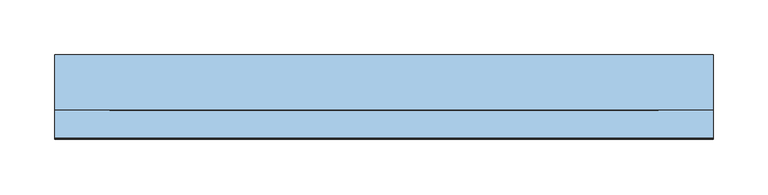
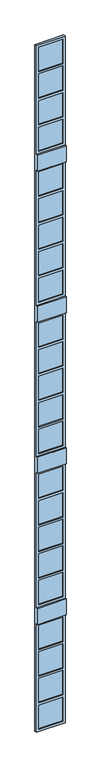
"""IFC4 building model written with IfcOpenShell, lengths in millimetres: window geometry."""

from ifc_helpers import new_model, si_unit, frame, origin, place, context, project, spatial, polyline, outline, extrude, faceted_brep, source, transform, mapped, element, save


def window_69a48910(model_context):
    return source(origin(), model_context, "Body", "SolidModel", [
        extrude(outline(polyline([(-50.0, 130.0), (-50.0, 120.0), (-550.0, 120.0), (-550.0, 130.0), (-50.0, 130.0)])), frame((0.0, 0.0, 13445.0), z_axis=(0.0, 0.0, 1.0), x_axis=(1.0, 0.0, 0.0)), (0.0, 0.0, 1.0), 530.0),
        extrude(outline(polyline([(-50.0, 130.0), (-50.0, 120.0), (-550.0, 120.0), (-550.0, 130.0), (-50.0, 130.0)])), frame((0.0, 0.0, 14025.0), z_axis=(0.0, 0.0, 1.0), x_axis=(1.0, 0.0, 0.0)), (0.0, 0.0, 1.0), 530.0),
        extrude(outline(polyline([(-50.0, 130.0), (-50.0, 120.0), (-550.0, 120.0), (-550.0, 130.0), (-50.0, 130.0)])), frame((0.0, 0.0, 14605.0), z_axis=(0.0, 0.0, 1.0), x_axis=(1.0, 0.0, 0.0)), (0.0, 0.0, 1.0), 530.0),
        extrude(outline(polyline([(-50.0, 130.0), (-50.0, 120.0), (-550.0, 120.0), (-550.0, 130.0), (-50.0, 130.0)])), frame((0.0, 0.0, 15185.0), z_axis=(0.0, 0.0, 1.0), x_axis=(1.0, 0.0, 0.0)), (0.0, 0.0, 1.0), 530.0),
        extrude(outline(polyline([(-50.0, 130.0), (-50.0, 120.0), (-550.0, 120.0), (-550.0, 130.0), (-50.0, 130.0)])), frame((0.0, 0.0, 10145.0), z_axis=(0.0, 0.0, 1.0), x_axis=(1.0, 0.0, 0.0)), (0.0, 0.0, 1.0), 530.0),
        extrude(outline(polyline([(-50.0, 130.0), (-50.0, 120.0), (-550.0, 120.0), (-550.0, 130.0), (-50.0, 130.0)])), frame((0.0, 0.0, 10725.0), z_axis=(0.0, 0.0, 1.0), x_axis=(1.0, 0.0, 0.0)), (0.0, 0.0, 1.0), 530.0),
        extrude(outline(polyline([(-50.0, 130.0), (-50.0, 120.0), (-550.0, 120.0), (-550.0, 130.0), (-50.0, 130.0)])), frame((0.0, 0.0, 11305.0), z_axis=(0.0, 0.0, 1.0), x_axis=(1.0, 0.0, 0.0)), (0.0, 0.0, 1.0), 530.0),
        extrude(outline(polyline([(-50.0, 130.0), (-50.0, 120.0), (-550.0, 120.0), (-550.0, 130.0), (-50.0, 130.0)])), frame((0.0, 0.0, 11885.0), z_axis=(0.0, 0.0, 1.0), x_axis=(1.0, 0.0, 0.0)), (0.0, 0.0, 1.0), 530.0),
        extrude(outline(polyline([(-50.0, 130.0), (-50.0, 120.0), (-550.0, 120.0), (-550.0, 130.0), (-50.0, 130.0)])), frame((0.0, 0.0, 12465.0), z_axis=(0.0, 0.0, 1.0), x_axis=(1.0, 0.0, 0.0)), (0.0, 0.0, 1.0), 530.0),
        extrude(outline(polyline([(-50.0, 130.0), (-50.0, 120.0), (-550.0, 120.0), (-550.0, 130.0), (-50.0, 130.0)])), frame((0.0, 0.0, 6845.0), z_axis=(0.0, 0.0, 1.0), x_axis=(1.0, 0.0, 0.0)), (0.0, 0.0, 1.0), 530.0),
        extrude(outline(polyline([(-50.0, 130.0), (-50.0, 120.0), (-550.0, 120.0), (-550.0, 130.0), (-50.0, 130.0)])), frame((0.0, 0.0, 7425.0), z_axis=(0.0, 0.0, 1.0), x_axis=(1.0, 0.0, 0.0)), (0.0, 0.0, 1.0), 530.0),
        extrude(outline(polyline([(-50.0, 130.0), (-50.0, 120.0), (-550.0, 120.0), (-550.0, 130.0), (-50.0, 130.0)])), frame((0.0, 0.0, 8005.0), z_axis=(0.0, 0.0, 1.0), x_axis=(1.0, 0.0, 0.0)), (0.0, 0.0, 1.0), 530.0),
        extrude(outline(polyline([(-50.0, 130.0), (-50.0, 120.0), (-550.0, 120.0), (-550.0, 130.0), (-50.0, 130.0)])), frame((0.0, 0.0, 8585.0), z_axis=(0.0, 0.0, 1.0), x_axis=(1.0, 0.0, 0.0)), (0.0, 0.0, 1.0), 530.0),
        extrude(outline(polyline([(-50.0, 130.0), (-50.0, 120.0), (-550.0, 120.0), (-550.0, 130.0), (-50.0, 130.0)])), frame((0.0, 0.0, 9165.0), z_axis=(0.0, 0.0, 1.0), x_axis=(1.0, 0.0, 0.0)), (0.0, 0.0, 1.0), 530.0),
        extrude(outline(polyline([(-50.0, 130.0), (-50.0, 120.0), (-550.0, 120.0), (-550.0, 130.0), (-50.0, 130.0)])), frame((0.0, 0.0, 3545.0), z_axis=(0.0, 0.0, 1.0), x_axis=(1.0, 0.0, 0.0)), (0.0, 0.0, 1.0), 530.0),
        extrude(outline(polyline([(-50.0, 130.0), (-50.0, 120.0), (-550.0, 120.0), (-550.0, 130.0), (-50.0, 130.0)])), frame((0.0, 0.0, 4125.0), z_axis=(0.0, 0.0, 1.0), x_axis=(1.0, 0.0, 0.0)), (0.0, 0.0, 1.0), 530.0),
        extrude(outline(polyline([(-50.0, 130.0), (-50.0, 120.0), (-550.0, 120.0), (-550.0, 130.0), (-50.0, 130.0)])), frame((0.0, 0.0, 4705.0), z_axis=(0.0, 0.0, 1.0), x_axis=(1.0, 0.0, 0.0)), (0.0, 0.0, 1.0), 530.0),
        extrude(outline(polyline([(-50.0, 130.0), (-50.0, 120.0), (-550.0, 120.0), (-550.0, 130.0), (-50.0, 130.0)])), frame((0.0, 0.0, 5285.0), z_axis=(0.0, 0.0, 1.0), x_axis=(1.0, 0.0, 0.0)), (0.0, 0.0, 1.0), 530.0),
        extrude(outline(polyline([(-50.0, 130.0), (-50.0, 120.0), (-550.0, 120.0), (-550.0, 130.0), (-50.0, 130.0)])), frame((0.0, 0.0, 5865.0), z_axis=(0.0, 0.0, 1.0), x_axis=(1.0, 0.0, 0.0)), (0.0, 0.0, 1.0), 530.0),
        faceted_brep([(0.0, 100.0, 6445.0), (-600.0, 100.0, 6445.0), (-600.0, 100.0, 3495.0), (0.0, 100.0, 3495.0), (-550.0, 100.0, 4075.0), (-50.0, 100.0, 4075.0), (-50.0, 100.0, 3545.0), (-550.0, 100.0, 3545.0), (-50.0, 100.0, 5865.0), (-550.0, 100.0, 5865.0), (-550.0, 100.0, 6395.0), (-50.0, 100.0, 6395.0), (-550.0, 100.0, 4125.0), (-550.0, 100.0, 4655.0), (-50.0, 100.0, 4655.0), (-50.0, 100.0, 4125.0), (-550.0, 100.0, 4705.0), (-550.0, 100.0, 5235.0), (-50.0, 100.0, 5235.0), (-50.0, 100.0, 4705.0), (-550.0, 100.0, 5285.0), (-550.0, 100.0, 5815.0), (-50.0, 100.0, 5815.0), (-50.0, 100.0, 5285.0), (-50.0, 150.0, 4075.0), (-550.0, 150.0, 4075.0), (-50.0, 150.0, 3545.0), (-550.0, 150.0, 3545.0), (-550.0, 150.0, 5865.0), (-50.0, 150.0, 5865.0), (-550.0, 150.0, 6395.0), (-50.0, 150.0, 6395.0), (-550.0, 150.0, 4655.0), (-550.0, 150.0, 4125.0), (-50.0, 150.0, 4655.0), (-50.0, 150.0, 4125.0), (-550.0, 150.0, 5235.0), (-550.0, 150.0, 4705.0), (-50.0, 150.0, 5235.0), (-50.0, 150.0, 4705.0), (-550.0, 150.0, 5815.0), (-550.0, 150.0, 5285.0), (-50.0, 150.0, 5815.0), (-50.0, 150.0, 5285.0), (0.0, 75.0, 6795.0), (-600.0, 75.0, 6795.0), (-600.0, 75.0, 6445.0), (0.0, 75.0, 6445.0), (0.0, 100.0, 6795.0), (-600.0, 100.0, 6795.0), (0.0, 100.0, 9745.0), (-600.0, 100.0, 9745.0), (-550.0, 100.0, 7375.0), (-50.0, 100.0, 7375.0), (-50.0, 100.0, 6845.0), (-550.0, 100.0, 6845.0), (-50.0, 100.0, 9165.0), (-550.0, 100.0, 9165.0), (-550.0, 100.0, 9695.0), (-50.0, 100.0, 9695.0), (-550.0, 100.0, 7425.0), (-550.0, 100.0, 7955.0), (-50.0, 100.0, 7955.0), (-50.0, 100.0, 7425.0), (-550.0, 100.0, 8005.0), (-550.0, 100.0, 8535.0), (-50.0, 100.0, 8535.0), (-50.0, 100.0, 8005.0), (-550.0, 100.0, 8585.0), (-550.0, 100.0, 9115.0), (-50.0, 100.0, 9115.0), (-50.0, 100.0, 8585.0), (-50.0, 150.0, 7375.0), (-550.0, 150.0, 7375.0), (-50.0, 150.0, 6845.0), (-550.0, 150.0, 6845.0), (-550.0, 150.0, 9165.0), (-50.0, 150.0, 9165.0), (-550.0, 150.0, 9695.0), (-50.0, 150.0, 9695.0), (-550.0, 150.0, 7955.0), (-550.0, 150.0, 7425.0), (-50.0, 150.0, 7955.0), (-50.0, 150.0, 7425.0), (-550.0, 150.0, 8535.0), (-550.0, 150.0, 8005.0), (-50.0, 150.0, 8535.0), (-50.0, 150.0, 8005.0), (-550.0, 150.0, 9115.0), (-550.0, 150.0, 8585.0), (-50.0, 150.0, 9115.0), (-50.0, 150.0, 8585.0), (0.0, 100.0, 13045.0), (-600.0, 100.0, 13045.0), (-600.0, 100.0, 10095.0), (0.0, 100.0, 10095.0), (-550.0, 100.0, 10675.0), (-50.0, 100.0, 10675.0), (-50.0, 100.0, 10145.0), (-550.0, 100.0, 10145.0), (-50.0, 100.0, 12465.0), (-550.0, 100.0, 12465.0), (-550.0, 100.0, 12995.0), (-50.0, 100.0, 12995.0), (-550.0, 100.0, 10725.0), (-550.0, 100.0, 11255.0), (-50.0, 100.0, 11255.0), (-50.0, 100.0, 10725.0), (-550.0, 100.0, 11305.0), (-550.0, 100.0, 11835.0), (-50.0, 100.0, 11835.0), (-50.0, 100.0, 11305.0), (-550.0, 100.0, 11885.0), (-550.0, 100.0, 12415.0), (-50.0, 100.0, 12415.0), (-50.0, 100.0, 11885.0), (-50.0, 150.0, 10675.0), (-550.0, 150.0, 10675.0), (-50.0, 150.0, 10145.0), (-550.0, 150.0, 10145.0), (-550.0, 150.0, 12465.0), (-50.0, 150.0, 12465.0), (-550.0, 150.0, 12995.0), (-50.0, 150.0, 12995.0), (-550.0, 150.0, 11255.0), (-550.0, 150.0, 10725.0), (-50.0, 150.0, 11255.0), (-50.0, 150.0, 10725.0), (-550.0, 150.0, 11835.0), (-550.0, 150.0, 11305.0), (-50.0, 150.0, 11835.0), (-50.0, 150.0, 11305.0), (-550.0, 150.0, 12415.0), (-550.0, 150.0, 11885.0), (-50.0, 150.0, 12415.0), (-50.0, 150.0, 11885.0), (0.0, 150.0, 15765.0), (0.0, 150.0, 775.0), (-600.0, 150.0, 775.0), (-600.0, 150.0, 15765.0), (-550.0, 150.0, 13975.0), (-550.0, 150.0, 13445.0), (-50.0, 150.0, 13445.0), (-50.0, 150.0, 13975.0), (-550.0, 150.0, 14025.0), (-50.0, 150.0, 14025.0), (-50.0, 150.0, 14555.0), (-550.0, 150.0, 14555.0), (-550.0, 150.0, 14605.0), (-50.0, 150.0, 14605.0), (-50.0, 150.0, 15135.0), (-550.0, 150.0, 15135.0), (-550.0, 150.0, 15185.0), (-50.0, 150.0, 15185.0), (-50.0, 150.0, 15715.0), (-550.0, 150.0, 15715.0), (-550.0, 150.0, 1355.0), (-550.0, 150.0, 825.0), (-50.0, 150.0, 825.0), (-50.0, 150.0, 1355.0), (-550.0, 150.0, 2565.0), (-50.0, 150.0, 2565.0), (-50.0, 150.0, 3095.0), (-550.0, 150.0, 3095.0), (-550.0, 150.0, 1405.0), (-50.0, 150.0, 1405.0), (-50.0, 150.0, 1935.0), (-550.0, 150.0, 1935.0), (-550.0, 150.0, 1985.0), (-50.0, 150.0, 1985.0), (-50.0, 150.0, 2515.0), (-550.0, 150.0, 2515.0), (-600.0, 100.0, 15765.0), (-600.0, 100.0, 13395.0), (0.0, 100.0, 13395.0), (0.0, 100.0, 15765.0), (-550.0, 100.0, 13975.0), (-50.0, 100.0, 13975.0), (-50.0, 100.0, 13445.0), (-550.0, 100.0, 13445.0), (-550.0, 100.0, 14025.0), (-550.0, 100.0, 14555.0), (-50.0, 100.0, 14555.0), (-50.0, 100.0, 14025.0), (-550.0, 100.0, 14605.0), (-550.0, 100.0, 15135.0), (-50.0, 100.0, 15135.0), (-50.0, 100.0, 14605.0), (-550.0, 100.0, 15185.0), (-550.0, 100.0, 15715.0), (-50.0, 100.0, 15715.0), (-50.0, 100.0, 15185.0), (-600.0, 100.0, 775.0), (-600.0, 100.0, 3145.0), (-600.0, 75.0, 3145.0), (-600.0, 75.0, 3495.0), (-600.0, 75.0, 9745.0), (-600.0, 75.0, 10095.0), (-600.0, 75.0, 13045.0), (-600.0, 75.0, 13395.0), (0.0, 75.0, 13395.0), (0.0, 75.0, 13045.0), (0.0, 75.0, 10095.0), (0.0, 75.0, 9745.0), (0.0, 75.0, 3495.0), (0.0, 75.0, 3145.0), (0.0, 100.0, 3145.0), (0.0, 100.0, 775.0), (-50.0, 100.0, 825.0), (-50.0, 100.0, 1355.0), (-550.0, 100.0, 825.0), (-550.0, 100.0, 1355.0), (-550.0, 100.0, 1985.0), (-550.0, 100.0, 2515.0), (-50.0, 100.0, 2515.0), (-50.0, 100.0, 1985.0), (-550.0, 100.0, 2565.0), (-550.0, 100.0, 3095.0), (-50.0, 100.0, 3095.0), (-50.0, 100.0, 2565.0), (-550.0, 100.0, 1405.0), (-550.0, 100.0, 1935.0), (-50.0, 100.0, 1935.0), (-50.0, 100.0, 1405.0)], [[[0, 1, 2, 3], [4, 5, 6, 7], [8, 9, 10, 11], [12, 13, 14, 15], [16, 17, 18, 19], [20, 21, 22, 23]], [[24, 5, 4, 25]], [[26, 6, 5, 24]], [[27, 7, 6, 26]], [[25, 4, 7, 27]], [[28, 9, 8, 29]], [[30, 10, 9, 28]], [[31, 11, 10, 30]], [[29, 8, 11, 31]], [[32, 13, 12, 33]], [[34, 14, 13, 32]], [[35, 15, 14, 34]], [[33, 12, 15, 35]], [[36, 17, 16, 37]], [[38, 18, 17, 36]], [[39, 19, 18, 38]], [[37, 16, 19, 39]], [[40, 21, 20, 41]], [[42, 22, 21, 40]], [[43, 23, 22, 42]], [[41, 20, 23, 43]], [[44, 45, 46, 47]], [[44, 48, 49, 45]], [[46, 1, 0, 47]], [[50, 51, 49, 48], [52, 53, 54, 55], [56, 57, 58, 59], [60, 61, 62, 63], [64, 65, 66, 67], [68, 69, 70, 71]], [[72, 53, 52, 73]], [[74, 54, 53, 72]], [[75, 55, 54, 74]], [[73, 52, 55, 75]], [[76, 57, 56, 77]], [[78, 58, 57, 76]], [[79, 59, 58, 78]], [[77, 56, 59, 79]], [[80, 61, 60, 81]], [[82, 62, 61, 80]], [[83, 63, 62, 82]], [[81, 60, 63, 83]], [[84, 65, 64, 85]], [[86, 66, 65, 84]], [[87, 67, 66, 86]], [[85, 64, 67, 87]], [[88, 69, 68, 89]], [[90, 70, 69, 88]], [[91, 71, 70, 90]], [[89, 68, 71, 91]], [[92, 93, 94, 95], [96, 97, 98, 99], [100, 101, 102, 103], [104, 105, 106, 107], [108, 109, 110, 111], [112, 113, 114, 115]], [[116, 97, 96, 117]], [[118, 98, 97, 116]], [[119, 99, 98, 118]], [[117, 96, 99, 119]], [[120, 101, 100, 121]], [[122, 102, 101, 120]], [[123, 103, 102, 122]], [[121, 100, 103, 123]], [[124, 105, 104, 125]], [[126, 106, 105, 124]], [[127, 107, 106, 126]], [[125, 104, 107, 127]], [[128, 109, 108, 129]], [[130, 110, 109, 128]], [[131, 111, 110, 130]], [[129, 108, 111, 131]], [[132, 113, 112, 133]], [[134, 114, 113, 132]], [[135, 115, 114, 134]], [[133, 112, 115, 135]], [[136, 137, 138, 139], [25, 27, 26, 24], [29, 31, 30, 28], [33, 35, 34, 32], [37, 39, 38, 36], [41, 43, 42, 40], [73, 75, 74, 72], [77, 79, 78, 76], [81, 83, 82, 80], [85, 87, 86, 84], [89, 91, 90, 88], [117, 119, 118, 116], [121, 123, 122, 120], [125, 127, 126, 124], [129, 131, 130, 128], [133, 135, 134, 132], [140, 141, 142, 143], [144, 145, 146, 147], [148, 149, 150, 151], [152, 153, 154, 155], [156, 157, 158, 159], [160, 161, 162, 163], [164, 165, 166, 167], [168, 169, 170, 171]], [[172, 173, 174, 175], [176, 177, 178, 179], [180, 181, 182, 183], [184, 185, 186, 187], [188, 189, 190, 191]], [[172, 139, 138, 192, 193, 194, 195, 2, 1, 46, 45, 49, 51, 196, 197, 94, 93, 198, 199, 173]], [[174, 200, 201, 92, 95, 202, 203, 50, 48, 44, 47, 0, 3, 204, 205, 206, 207, 137, 136, 175]], [[143, 177, 176, 140]], [[142, 178, 177, 143]], [[141, 179, 178, 142]], [[140, 176, 179, 141]], [[139, 172, 175, 136]], [[147, 181, 180, 144]], [[146, 182, 181, 147]], [[145, 183, 182, 146]], [[144, 180, 183, 145]], [[151, 185, 184, 148]], [[150, 186, 185, 151]], [[149, 187, 186, 150]], [[148, 184, 187, 149]], [[155, 189, 188, 152]], [[154, 190, 189, 155]], [[153, 191, 190, 154]], [[152, 188, 191, 153]], [[137, 207, 192, 138]], [[158, 208, 209, 159]], [[157, 210, 208, 158]], [[156, 211, 210, 157]], [[206, 193, 192, 207], [212, 213, 214, 215], [216, 217, 218, 219], [211, 209, 208, 210], [220, 221, 222, 223]], [[171, 213, 212, 168]], [[170, 214, 213, 171]], [[169, 215, 214, 170]], [[163, 217, 216, 160]], [[162, 218, 217, 163]], [[161, 219, 218, 162]], [[160, 216, 219, 161]], [[159, 209, 211, 156]], [[167, 221, 220, 164]], [[166, 222, 221, 167]], [[165, 223, 222, 166]], [[164, 220, 223, 165]], [[168, 212, 215, 169]], [[202, 197, 196, 203]], [[202, 95, 94, 197]], [[196, 51, 50, 203]], [[200, 199, 198, 201]], [[200, 174, 173, 199]], [[198, 93, 92, 201]], [[204, 195, 194, 205]], [[204, 3, 2, 195]], [[194, 193, 206, 205]]]),
        extrude(outline(polyline([(-50.0, 130.0), (-50.0, 120.0), (-550.0, 120.0), (-550.0, 130.0), (-50.0, 130.0)])), frame((0.0, 0.0, 825.0), z_axis=(0.0, 0.0, 1.0), x_axis=(1.0, 0.0, 0.0)), (0.0, 0.0, 1.0), 530.0),
        extrude(outline(polyline([(-50.0, 130.0), (-50.0, 120.0), (-550.0, 120.0), (-550.0, 130.0), (-50.0, 130.0)])), frame((0.0, 0.0, 2565.0), z_axis=(0.0, 0.0, 1.0), x_axis=(1.0, 0.0, 0.0)), (0.0, 0.0, 1.0), 530.0),
        extrude(outline(polyline([(-50.0, 130.0), (-50.0, 120.0), (-550.0, 120.0), (-550.0, 130.0), (-50.0, 130.0)])), frame((0.0, 0.0, 1405.0), z_axis=(0.0, 0.0, 1.0), x_axis=(1.0, 0.0, 0.0)), (0.0, 0.0, 1.0), 530.0),
        extrude(outline(polyline([(-50.0, 130.0), (-50.0, 120.0), (-550.0, 120.0), (-550.0, 130.0), (-50.0, 130.0)])), frame((0.0, 0.0, 1985.0), z_axis=(0.0, 0.0, 1.0), x_axis=(1.0, 0.0, 0.0)), (0.0, 0.0, 1.0), 530.0),
    ])


if __name__ == "__main__":
    model = new_model("IFC4")
    model_context = context("Model", 3, world=origin())
    ifc_project = project(units=[si_unit("LENGTHUNIT", "METRE", prefix="MILLI")], contexts=[model_context])
    site = spatial("IfcSite", under=ifc_project)
    building = spatial("IfcBuilding", under=site)
    placement = place(None, origin())
    window_shape = window_69a48910(model_context)
    element("IfcWindow", 1, at=placement, inside=building, context=model_context, shape_type="MappedRepresentation", body=[
        mapped(window_shape, transform((0.0, 0.0, 0.0), x_axis=(1.0, 0.0, 0.0), y_axis=(0.0, 1.0, 0.0), z_axis=(0.0, 0.0, 1.0))),
    ])
    save(model, "model.ifc")
